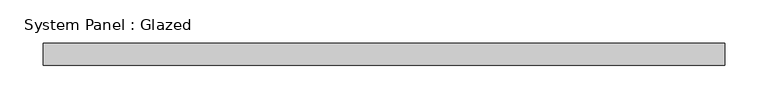
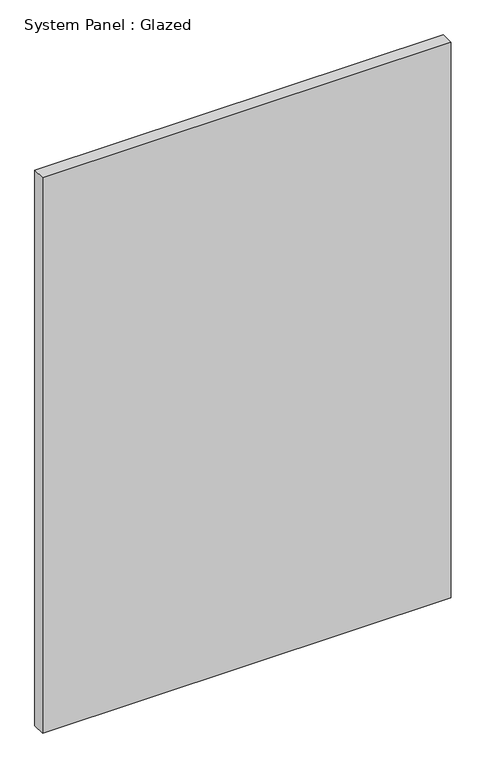
"""IFC4 building model written with IfcOpenShell, lengths in millimetres: plate geometry, System Panel : Glazed."""

from ifc_helpers import new_model, si_unit, origin, origin_with_axes, place, context, project, spatial, polyline, outline, extrude, source, transform, mapped, element, save


def system_panel_glazed_5bd1623f(model_context):
    return source(origin(), model_context, "Body", "SweptSolid", [
        extrude(outline(polyline([(393.7, 0.0), (-393.7, 0.0), (-393.7, 25.4), (393.7, 25.4), (393.7, 0.0)])), origin_with_axes(), (0.0, 0.0, 1.0), 1130.3),
    ])


if __name__ == "__main__":
    model = new_model("IFC4")
    model_context = context("Model", 3, world=origin())
    ifc_project = project(units=[si_unit("LENGTHUNIT", "METRE", prefix="MILLI")], contexts=[model_context])
    site = spatial("IfcSite", under=ifc_project)
    building = spatial("IfcBuilding", under=site)
    placement = place(None, origin())
    system_panel_glazed_shape = system_panel_glazed_5bd1623f(model_context)
    element("IfcPlate", 1, ObjectType="System Panel : Glazed", at=placement, inside=building, context=model_context, shape_type="MappedRepresentation", body=[
        mapped(system_panel_glazed_shape, transform((0.0, 0.0, 0.0), x_axis=(1.0, 0.0, 0.0), y_axis=(0.0, 1.0, 0.0), z_axis=(0.0, 0.0, 1.0))),
    ])
    save(model, "model.ifc")
